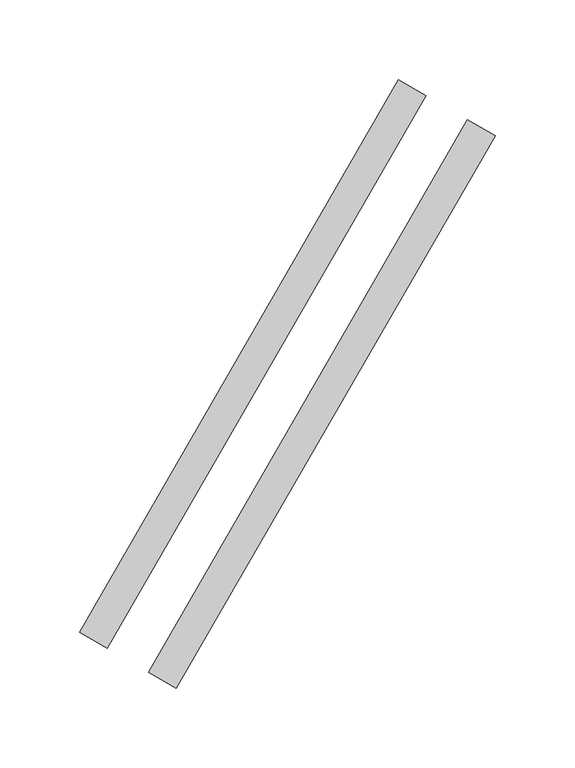
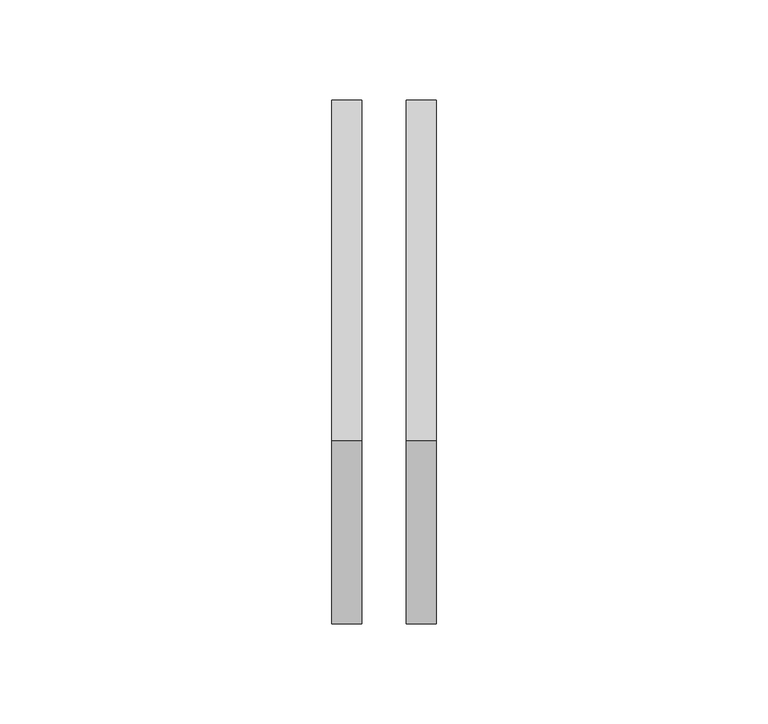
"""IFC4 building model written with IfcOpenShell, lengths in millimetres: proxy geometry."""

from ifc_helpers import new_model, si_unit, origin, origin_with_axes, place, context, project, spatial, polyline, outline, extrude, source, transform, mapped, element, save


def generic_models_0afd229a(model_context):
    return source(origin(), model_context, "Body", "SweptSolid", [
        extrude(outline(polyline([(212.9903811, 338.9101615), (230.3108891, 328.9101615), (30.3108891, -17.5), (12.9903811, -7.5), (212.9903811, 338.9101615)])), origin_with_axes(), (0.0, 0.0, 1.0), 150.0),
        extrude(outline(polyline([(169.6891109, 363.9101615), (187.0096189, 353.9101615), (-12.9903811, 7.5), (-30.3108891, 17.5), (169.6891109, 363.9101615)])), origin_with_axes(), (0.0, 0.0, 1.0), 150.0),
    ])


if __name__ == "__main__":
    model = new_model("IFC4")
    model_context = context("Model", 3, world=origin())
    ifc_project = project(units=[si_unit("LENGTHUNIT", "METRE", prefix="MILLI")], contexts=[model_context])
    site = spatial("IfcSite", under=ifc_project)
    building = spatial("IfcBuilding", under=site)
    placement = place(None, origin())
    generic_models_shape = generic_models_0afd229a(model_context)
    element("IfcBuildingElementProxy", 1, Name="Generic Models", at=placement, inside=building, context=model_context, shape_type="MappedRepresentation", body=[
        mapped(generic_models_shape, transform((0.0, 0.0, 0.0), x_axis=(1.0, 0.0, 0.0), y_axis=(0.0, 1.0, 0.0), z_axis=(0.0, 0.0, 1.0))),
    ])
    save(model, "model.ifc")
